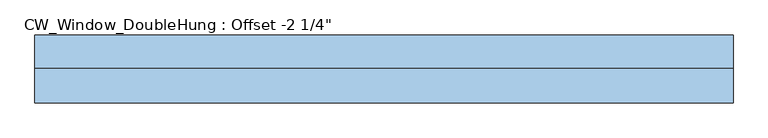
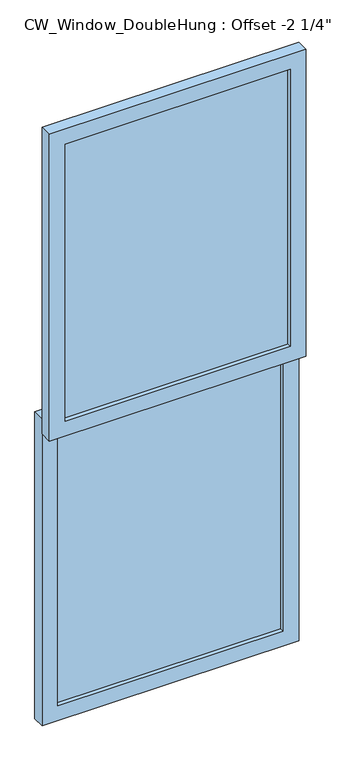
"""IFC4 building model written with IfcOpenShell, lengths in millimetres: window geometry."""

from ifc_helpers import new_model, si_unit, frame, origin, place, context, project, spatial, polyline, outline, extrude, source, transform, mapped, element, save


def window_3a62be33(model_context):
    return source(origin(), model_context, "Body", "SweptSolid", [
        extrude(outline(polyline([(2565.4, -520.7), (1250.95, -520.7), (1250.95, 520.7), (2565.4, 520.7), (2565.4, -520.7)]), holes=[polyline([(2501.9, -457.2), (2501.9, 457.2), (1314.45, 457.2), (1314.45, -457.2), (2501.9, -457.2)])]), frame((0.0, -57.15, 0.0), z_axis=(0.0, 1.0, 0.0), x_axis=(0.0, 0.0, 1.0)), (0.0, 0.0, 1.0), 50.8),
        extrude(outline(polyline([(457.2, -23.2833333), (457.2, -40.2166667), (-457.2, -40.2166667), (-457.2, -23.2833333), (457.2, -23.2833333)])), frame((0.0, 0.0, 1314.45), z_axis=(0.0, 0.0, 1.0), x_axis=(1.0, 0.0, 0.0)), (0.0, 0.0, 1.0), 1187.45),
        extrude(outline(polyline([(1314.45, -520.7), (0.0, -520.7), (0.0, 520.7), (1314.45, 520.7), (1314.45, -520.7)]), holes=[polyline([(1250.95, -457.2), (1250.95, 457.2), (63.5, 457.2), (63.5, -457.2), (1250.95, -457.2)])]), frame((0.0, -6.35, 0.0), z_axis=(0.0, 1.0, 0.0), x_axis=(0.0, 0.0, 1.0)), (0.0, 0.0, 1.0), 50.8),
        extrude(outline(polyline([(457.2, 27.5166667), (457.2, 10.5833333), (-457.2, 10.5833333), (-457.2, 27.5166667), (457.2, 27.5166667)])), frame((0.0, 0.0, 63.5), z_axis=(0.0, 0.0, 1.0), x_axis=(1.0, 0.0, 0.0)), (0.0, 0.0, 1.0), 1187.45),
    ])


if __name__ == "__main__":
    model = new_model("IFC4")
    model_context = context("Model", 3, world=origin())
    ifc_project = project(units=[si_unit("LENGTHUNIT", "METRE", prefix="MILLI")], contexts=[model_context])
    site = spatial("IfcSite", under=ifc_project)
    building = spatial("IfcBuilding", under=site)
    placement = place(None, origin())
    window_shape = window_3a62be33(model_context)
    element("IfcWindow", 1, ObjectType="CW_Window_DoubleHung : Offset -2 1/4\"", at=placement, inside=building, context=model_context, shape_type="MappedRepresentation", body=[
        mapped(window_shape, transform((0.0, 0.0, 0.0), x_axis=(1.0, 0.0, 0.0), y_axis=(0.0, 1.0, 0.0), z_axis=(0.0, 0.0, 1.0))),
    ])
    save(model, "model.ifc")
